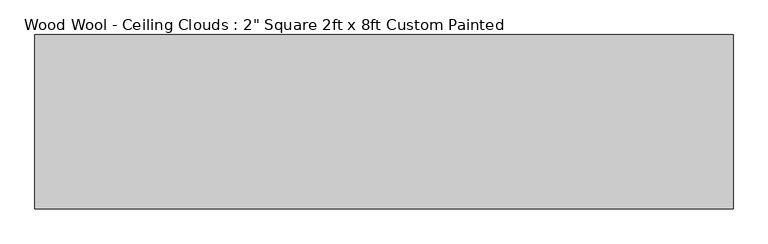
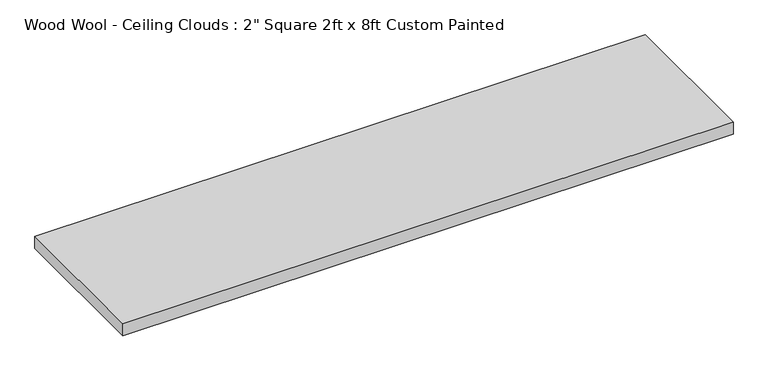
"""IFC4 building model written with IfcOpenShell, lengths in millimetres: proxy geometry."""

from ifc_helpers import new_model, si_unit, frame, origin, place, context, project, spatial, polyline, outline, extrude, source, transform, mapped, element, save


def proxy_90c6e8ff(model_context):
    return source(origin(), model_context, "Body", "SweptSolid", [
        extrude(outline(polyline([(-1219.2, -304.8), (-1219.2, 304.8), (1219.2, 304.8), (1219.2, -304.8), (-1219.2, -304.8)])), frame((0.0, 0.0, -50.8), z_axis=(0.0, 0.0, 1.0), x_axis=(1.0, 0.0, 0.0)), (0.0, 0.0, 1.0), 50.8),
    ])


if __name__ == "__main__":
    model = new_model("IFC4")
    model_context = context("Model", 3, world=origin())
    ifc_project = project(units=[si_unit("LENGTHUNIT", "METRE", prefix="MILLI")], contexts=[model_context])
    site = spatial("IfcSite", under=ifc_project)
    building = spatial("IfcBuilding", under=site)
    placement = place(None, origin())
    proxy_shape = proxy_90c6e8ff(model_context)
    element("IfcBuildingElementProxy", 1, Name="Wood Wool - Ceiling Clouds : 2\" Square 2ft x 8ft Custom Painted", ObjectType="Wood Wool - Ceiling Clouds : 2\" Square 2ft x 8ft Custom Painted", at=placement, inside=building, context=model_context, shape_type="MappedRepresentation", body=[
        mapped(proxy_shape, transform((0.0, 0.0, 0.0), x_axis=(1.0, 0.0, 0.0), y_axis=(0.0, 1.0, 0.0), z_axis=(0.0, 0.0, 1.0))),
    ])
    save(model, "model.ifc")
